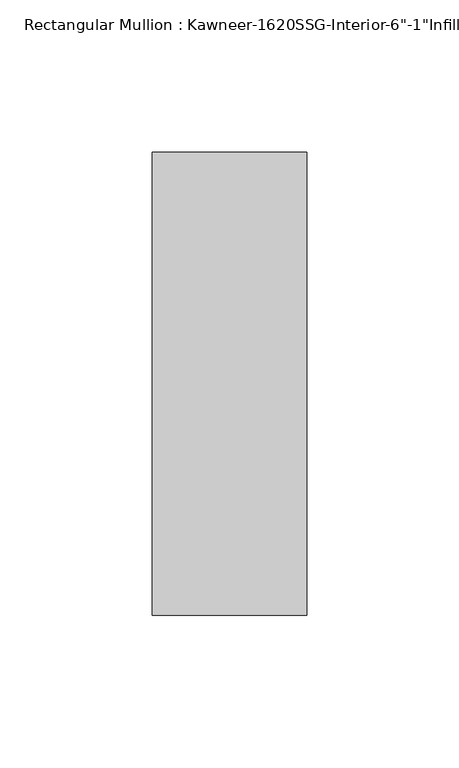
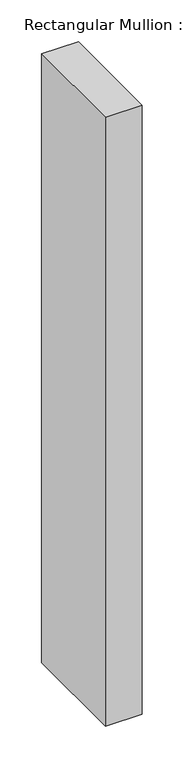
"""IFC4 building model written with IfcOpenShell, lengths in millimetres: member geometry."""

from ifc_helpers import new_model, si_unit, frame, origin, place, context, project, spatial, polyline, outline, extrude, source, transform, mapped, element, save


def member_027d8b45(model_context):
    return source(origin(), model_context, "Body", "SweptSolid", [
        extrude(outline(polyline([(25.4, 114.3), (25.4, -38.1), (-25.4, -38.1), (-25.4, 114.3), (25.4, 114.3)])), frame((0.0, 0.0, -889.0), z_axis=(0.0, 0.0, 1.0), x_axis=(1.0, 0.0, 0.0)), (0.0, 0.0, 1.0), 889.0),
    ])


if __name__ == "__main__":
    model = new_model("IFC4")
    model_context = context("Model", 3, world=origin())
    ifc_project = project(units=[si_unit("LENGTHUNIT", "METRE", prefix="MILLI")], contexts=[model_context])
    site = spatial("IfcSite", under=ifc_project)
    building = spatial("IfcBuilding", under=site)
    placement = place(None, origin())
    member_shape = member_027d8b45(model_context)
    element("IfcMember", 1, ObjectType="Rectangular Mullion : Kawneer-1620SSG-Interior-6\"-1\"Infill", at=placement, inside=building, context=model_context, shape_type="MappedRepresentation", body=[
        mapped(member_shape, transform((0.0, 0.0, 0.0), x_axis=(1.0, 0.0, 0.0), y_axis=(0.0, 1.0, 0.0), z_axis=(0.0, 0.0, 1.0))),
    ])
    save(model, "model.ifc")
